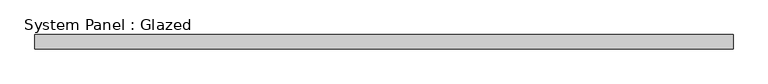
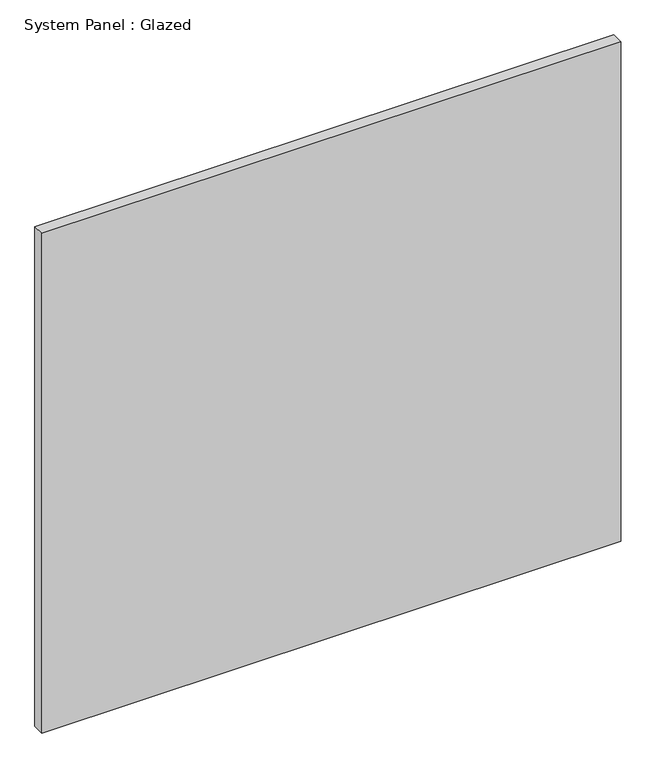
"""IFC4 building model written with IfcOpenShell, lengths in millimetres: plate geometry, System Panel : Glazed."""

from ifc_helpers import new_model, si_unit, origin, origin_with_axes, place, context, project, spatial, polyline, outline, extrude, source, transform, mapped, element, save


def system_panel_glazed_d0dc15b4(model_context):
    return source(origin(), model_context, "Body", "SweptSolid", [
        extrude(outline(polyline([(615.95, -44.45), (-615.95, -44.45), (-615.95, -19.05), (615.95, -19.05), (615.95, -44.45)])), origin_with_axes(), (0.0, 0.0, 1.0), 1123.95),
    ])


if __name__ == "__main__":
    model = new_model("IFC4")
    model_context = context("Model", 3, world=origin())
    ifc_project = project(units=[si_unit("LENGTHUNIT", "METRE", prefix="MILLI")], contexts=[model_context])
    site = spatial("IfcSite", under=ifc_project)
    building = spatial("IfcBuilding", under=site)
    placement = place(None, origin())
    system_panel_glazed_shape = system_panel_glazed_d0dc15b4(model_context)
    element("IfcPlate", 1, ObjectType="System Panel : Glazed", at=placement, inside=building, context=model_context, shape_type="MappedRepresentation", body=[
        mapped(system_panel_glazed_shape, transform((0.0, 0.0, 0.0), x_axis=(1.0, 0.0, 0.0), y_axis=(0.0, 1.0, 0.0), z_axis=(0.0, 0.0, 1.0))),
    ])
    save(model, "model.ifc")
